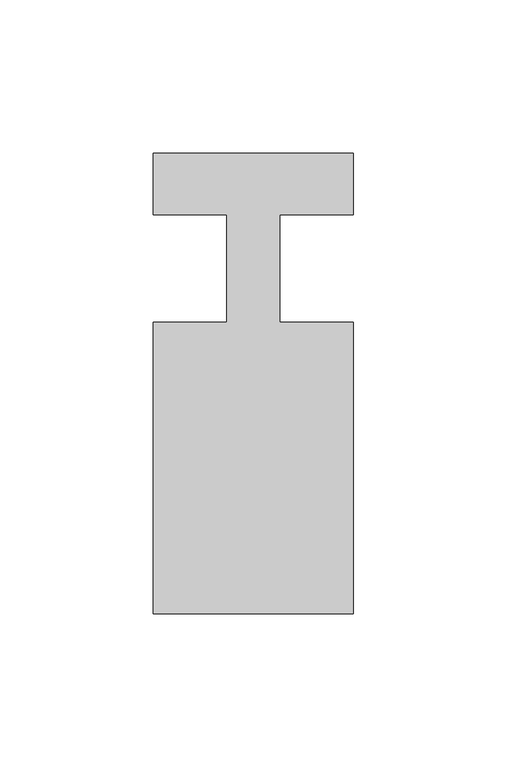
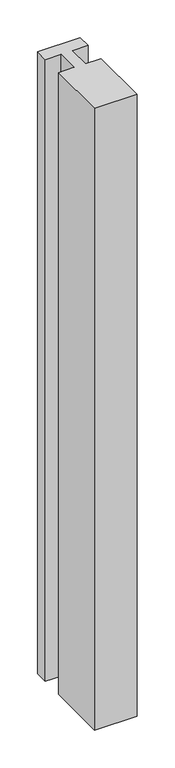
"""IFC4 building model written with IfcOpenShell, lengths in millimetres: member geometry."""

from ifc_helpers import new_model, si_unit, frame, origin, place, context, project, spatial, polyline, outline, extrude, source, transform, mapped, element, save


def member_6a21cbfd(model_context):
    return source(origin(), model_context, "Body", "SweptSolid", [
        extrude(outline(polyline([(0.0, 37.0), (0.0, 17.0), (-23.8125, 17.0), (-23.8125, -18.0), (0.0, -18.0), (0.0, -113.0), (-65.0, -113.0), (-65.0, -18.0), (-41.1875, -18.0), (-41.1875, 17.0), (-65.0, 17.0), (-65.0, 37.0), (0.0, 37.0)])), frame((0.0, 0.0, -1002.3125), z_axis=(0.0, 0.0, 1.0), x_axis=(1.0, 0.0, 0.0)), (0.0, 0.0, 1.0), 1002.3125),
    ])


if __name__ == "__main__":
    model = new_model("IFC4")
    model_context = context("Model", 3, world=origin())
    ifc_project = project(units=[si_unit("LENGTHUNIT", "METRE", prefix="MILLI")], contexts=[model_context])
    site = spatial("IfcSite", under=ifc_project)
    building = spatial("IfcBuilding", under=site)
    placement = place(None, origin())
    member_shape = member_6a21cbfd(model_context)
    element("IfcMember", 1, at=placement, inside=building, context=model_context, shape_type="MappedRepresentation", body=[
        mapped(member_shape, transform((0.0, 0.0, 0.0), x_axis=(1.0, 0.0, 0.0), y_axis=(0.0, 1.0, 0.0), z_axis=(0.0, 0.0, 1.0))),
    ])
    save(model, "model.ifc")
